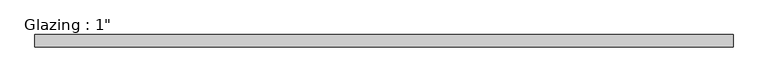
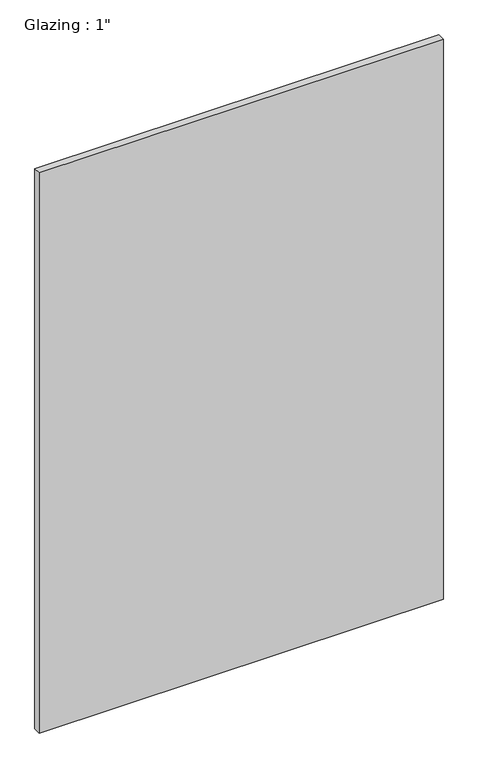
"""IFC4 building model written with IfcOpenShell, lengths in millimetres: plate geometry."""

from ifc_helpers import new_model, si_unit, origin, origin_with_axes, place, context, project, spatial, polyline, outline, extrude, source, transform, mapped, element, save


def plate_03c6d665(model_context):
    return source(origin(), model_context, "Body", "SweptSolid", [
        extrude(outline(polyline([(715.3949896, -12.7), (-715.3949896, -12.7), (-715.3949896, 12.7), (715.3949896, 12.7), (715.3949896, -12.7)])), origin_with_axes(), (0.0, 0.0, 1.0), 2094.5430277),
    ])


if __name__ == "__main__":
    model = new_model("IFC4")
    model_context = context("Model", 3, world=origin())
    ifc_project = project(units=[si_unit("LENGTHUNIT", "METRE", prefix="MILLI")], contexts=[model_context])
    site = spatial("IfcSite", under=ifc_project)
    building = spatial("IfcBuilding", under=site)
    placement = place(None, origin())
    plate_shape = plate_03c6d665(model_context)
    element("IfcPlate", 1, ObjectType="Glazing : 1\"", at=placement, inside=building, context=model_context, shape_type="MappedRepresentation", body=[
        mapped(plate_shape, transform((0.0, 0.0, 0.0), x_axis=(1.0, 0.0, 0.0), y_axis=(0.0, 1.0, 0.0), z_axis=(0.0, 0.0, 1.0))),
    ])
    save(model, "model.ifc")
